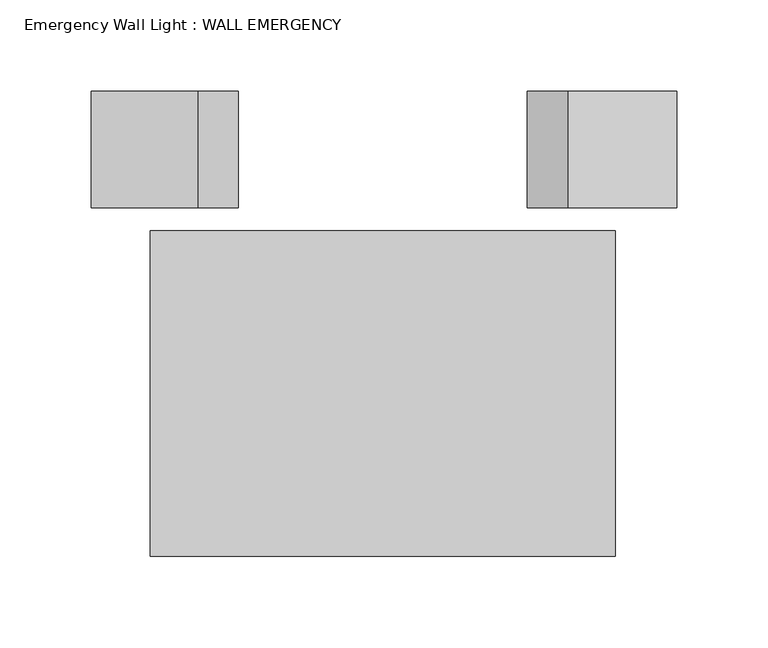
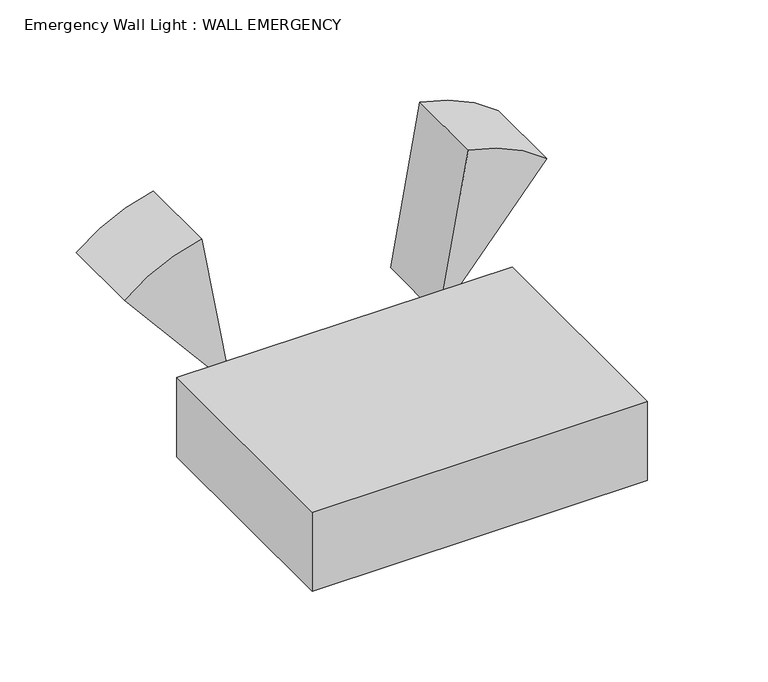
"""IFC4 building model written with IfcOpenShell, lengths in millimetres: light fixture geometry, Emergency Wall Light : WALL EMERGENCY."""

import ifcopenshell
import ifcopenshell.guid

model = None  # the IFC model being written
_history = None  # IfcOwnerHistory: only IFC2X3 demands one
_inside = {}  # id of a spatial element -> (the spatial element, [elements in it])
_under = {}  # id of a project, library or spatial element -> (it, [spatial elements below it])
_declared = {}  # id of a project -> (the project, [libraries it declares])
_typed = {}  # id of a type object -> (the type object, [elements of that type])
_made_of = {}  # id of a material, layer set ... -> (it, [elements and type objects made of it])


def new_model(schema):
    """Start an empty IFC model of exactly this schema.

    Asked for "IFC4X3", IfcOpenShell would pick the latest addendum, in which some entities
    have other attributes; the version numbers below select the first issue.
    IFC2X3 requires an IfcOwnerHistory on every rooted entity: one is made here for all.
    """
    global model, _history
    if schema == "IFC4X3":
        model = ifcopenshell.file(schema_version=(4, 3, 0, 0))
    else:
        model = ifcopenshell.file(schema=schema)
    _inside.clear()
    _under.clear()
    _declared.clear()
    _typed.clear()
    _made_of.clear()
    _history = None
    if model.schema == "IFC2X3":
        org = make("IfcOrganization", Name="unknown")
        user = make(
            "IfcPersonAndOrganization",
            ThePerson=make("IfcPerson", FamilyName="unknown"),
            TheOrganization=org,
        )
        app = make(
            "IfcApplication",
            ApplicationDeveloper=org,
            Version="unknown",
            ApplicationFullName="unknown",
            ApplicationIdentifier="unknown",
        )
        _history = make(
            "IfcOwnerHistory",
            OwningUser=user,
            OwningApplication=app,
            ChangeAction="ADDED",
            CreationDate=0,
        )
    return model


def make(cls, **values):
    """One entity of the class cls with the attributes given. An attribute that is None is left unset."""
    return model.create_entity(
        cls, **{name: value for name, value in values.items() if value is not None}
    )


def rooted(cls, **values):
    """An entity with a GlobalId (a new one), such as an element, a storey or a relation."""
    return make(cls, GlobalId=ifcopenshell.guid.new(), OwnerHistory=_history, **values)


def si_unit(unit_type, name, prefix=None):
    """IfcSIUnit, for example si_unit("LENGTHUNIT", "METRE", prefix="MILLI")."""
    return make("IfcSIUnit", UnitType=unit_type, Prefix=prefix, Name=name)


def assignment(units):
    """IfcUnitAssignment: the units of a project."""
    return None if units is None else make("IfcUnitAssignment", Units=units)


def point(xyz):
    """IfcCartesianPoint."""
    return None if xyz is None else make("IfcCartesianPoint", Coordinates=xyz)


def direction(xyz):
    """IfcDirection."""
    return None if xyz is None else make("IfcDirection", DirectionRatios=xyz)


def frame(location, z_axis=None, x_axis=None):
    """IfcAxis2Placement3D, a coordinate frame: its origin and axes. An axis left out is left unset."""
    return make(
        "IfcAxis2Placement3D",
        Location=point(location),
        Axis=direction(z_axis),
        RefDirection=direction(x_axis),
    )


def frame_2d(location, x_axis=None):
    """IfcAxis2Placement2D, a coordinate frame in the plane: its origin and x axis."""
    return make(
        "IfcAxis2Placement2D", Location=point(location), RefDirection=direction(x_axis)
    )


def origin():
    """The frame at (0, 0, 0) with its axes left unset."""
    return frame((0.0, 0.0, 0.0))


def origin_with_axes():
    """The frame at (0, 0, 0) with the z axis (0, 0, 1) and the x axis (1, 0, 0) written out."""
    return frame((0.0, 0.0, 0.0), z_axis=(0.0, 0.0, 1.0), x_axis=(1.0, 0.0, 0.0))


def place(relative_to, where):
    """IfcLocalPlacement: puts the frame where relative to a parent placement (None: the world)."""
    return make(
        "IfcLocalPlacement", PlacementRelTo=relative_to, RelativePlacement=where
    )


def context(
    kind, dimensions, precision=None, world=None, true_north=None, identifier=None
):
    """IfcGeometricRepresentationContext, for example the 3D "Model" context."""
    return make(
        "IfcGeometricRepresentationContext",
        ContextIdentifier=identifier,
        ContextType=kind,
        CoordinateSpaceDimension=dimensions,
        Precision=precision,
        WorldCoordinateSystem=world,
        TrueNorth=true_north,
    )


def project(units=None, contexts=None):
    """IfcProject with its units and contexts."""
    return rooted(
        "IfcProject",
        Name="project",
        RepresentationContexts=contexts,
        UnitsInContext=assignment(units),
    )


def spatial(cls, under=None, at=None, **own):
    """A site, building, storey or space (cls), placed at a placement, below another one or the project."""
    s = rooted(cls, ObjectPlacement=at, **own)
    if under is not None:
        _under.setdefault(under.id(), (under, []))[1].append(s)
    return s


def polyline(points):
    """IfcPolyline through the points."""
    return make("IfcPolyline", Points=[point(p) for p in points])


def circle_curve(where, radius):
    """IfcCircle in the frame where."""
    return make("IfcCircle", Position=where, Radius=radius)


def trimmed(basis, trim1, trim2, sense, master):
    """IfcTrimmedCurve: the piece of a basis curve between two trims."""
    return make(
        "IfcTrimmedCurve",
        BasisCurve=basis,
        Trim1=trim1,
        Trim2=trim2,
        SenseAgreement=sense,
        MasterRepresentation=master,
    )


def segment(curve, same_sense, transition):
    """IfcCompositeCurveSegment."""
    return make(
        "IfcCompositeCurveSegment",
        Transition=transition,
        SameSense=same_sense,
        ParentCurve=curve,
    )


def composite_curve(segments, self_intersect=None):
    """IfcCompositeCurve: segments joined end to end."""
    return make("IfcCompositeCurve", Segments=segments, SelfIntersect=self_intersect)


def outline(outer, holes=None, kind="AREA"):
    """IfcArbitraryClosedProfileDef: a profile drawn as a closed curve; with holes, ...WithVoids."""
    if holes is None:
        return make("IfcArbitraryClosedProfileDef", ProfileType=kind, OuterCurve=outer)
    return make(
        "IfcArbitraryProfileDefWithVoids",
        ProfileType=kind,
        OuterCurve=outer,
        InnerCurves=holes,
    )


def extrude(swept, where, along, depth):
    """IfcExtrudedAreaSolid: the profile swept, set in the frame where, extruded along a direction by depth."""
    return make(
        "IfcExtrudedAreaSolid",
        SweptArea=swept,
        Position=where,
        ExtrudedDirection=direction(along),
        Depth=depth,
    )


def shape(context_of_items, identifier, shape_type, items):
    """IfcShapeRepresentation: the items that make up one representation, for example the "Body"."""
    return make(
        "IfcShapeRepresentation",
        ContextOfItems=context_of_items,
        RepresentationIdentifier=identifier,
        RepresentationType=shape_type,
        Items=items,
    )


def source(mapping_origin, context_of_items, identifier, shape_type, items):
    """IfcRepresentationMap: a shape defined once, which mapped items show again and again."""
    return make(
        "IfcRepresentationMap",
        MappingOrigin=mapping_origin,
        MappedRepresentation=shape(context_of_items, identifier, shape_type, items),
    )


def transform(
    local_origin,
    x_axis=None,
    y_axis=None,
    z_axis=None,
    scale=None,
    scale2=None,
    scale3=None,
    uniform=True,
):
    """IfcCartesianTransformationOperator3D, or its non-uniform kind. x_axis, y_axis, z_axis: its Axis1, 2, 3."""
    if uniform:
        return make(
            "IfcCartesianTransformationOperator3D",
            Axis1=direction(x_axis),
            Axis2=direction(y_axis),
            LocalOrigin=point(local_origin),
            Scale=scale,
            Axis3=direction(z_axis),
        )
    return make(
        "IfcCartesianTransformationOperator3DnonUniform",
        Axis1=direction(x_axis),
        Axis2=direction(y_axis),
        LocalOrigin=point(local_origin),
        Scale=scale,
        Axis3=direction(z_axis),
        Scale2=scale2,
        Scale3=scale3,
    )


def mapped(mapping_source, mapping_target):
    """IfcMappedItem: shows the shape of a source again, moved by a transform."""
    return make(
        "IfcMappedItem", MappingSource=mapping_source, MappingTarget=mapping_target
    )


def made_of(thing, what):
    """Note that an element or type object is made of a material, layer set ...; save() writes the relation."""
    if what is not None:
        _made_of.setdefault(what.id(), (what, []))[1].append(thing)
    return thing


def element(
    cls,
    number,
    at=None,
    inside=None,
    cuts=None,
    type_object=None,
    material=None,
    context=None,
    identifier="Body",
    shape_type=None,
    held_by="IfcProductDefinitionShape",
    body=None,
    shapes=None,
    **own,
):
    """One element of the class cls, such as IfcWall. Its Tag is "e" and its number.

    at: its placement. inside: the storey or other place that contains it. cuts: it is an
    opening in that element (IfcRelVoidsElement). A single representation is given by context,
    identifier, shape_type and body (its items); several are given by shapes. held_by: the class
    of the entity that holds the representations. save() writes the other relations.
    """
    e = rooted(cls, Tag="e%d" % number, ObjectPlacement=at, **own)
    if body is not None:
        shapes = [shape(context, identifier, shape_type, body)]
    if shapes is not None:
        e.Representation = make(held_by, Representations=shapes)
    if inside is not None:
        _inside.setdefault(inside.id(), (inside, []))[1].append(e)
    if cuts is not None:
        rooted(
            "IfcRelVoidsElement", RelatingBuildingElement=cuts, RelatedOpeningElement=e
        )
    if type_object is not None:
        _typed.setdefault(type_object.id(), (type_object, []))[1].append(e)
    return made_of(e, material)


def aggregate(whole, parts):
    """IfcRelAggregates: a whole, such as a stair, and the parts it consists of."""
    return rooted("IfcRelAggregates", RelatingObject=whole, RelatedObjects=parts)


def save(model, path):
    """Write the relations noted so far, then the file.

    IfcRelAggregates (storeys below a building ...), IfcRelContainedInSpatialStructure (elements
    in a storey), IfcRelDefinesByType, IfcRelAssociatesMaterial and IfcRelDeclares: one each for
    every whole, place, type object, material and project.
    """
    for whole, parts in _under.values():
        aggregate(whole, parts)
    for where, things in _inside.values():
        rooted(
            "IfcRelContainedInSpatialStructure",
            RelatedElements=things,
            RelatingStructure=where,
        )
    for kind, things in _typed.values():
        rooted("IfcRelDefinesByType", RelatedObjects=things, RelatingType=kind)
    for what, things in _made_of.values():
        rooted("IfcRelAssociatesMaterial", RelatedObjects=things, RelatingMaterial=what)
    for by, libraries in _declared.values():
        rooted("IfcRelDeclares", RelatingContext=by, RelatedDefinitions=libraries)
    model.write(path)


def emergency_wall_light_wall_emergency_37438f40(model_context):
    return source(origin(), model_context, "Body", "SweptSolid", [
        extrude(outline(composite_curve([segment(polyline([(129.0379638, -159.2803489), (33.3375, -78.978125), (157.8249108, -100.9286143)]), True, "CONTINUOUS"), segment(trimmed(circle_curve(frame_2d((33.3375, -75.7913004)), 127.0), [point((157.8249108, -100.9286143))], [point((129.0379638, -159.2803489))], False, "CARTESIAN"), True, "CONTINUOUS")], self_intersect=False)), frame((0.0, 101.6, 0.0), z_axis=(0.0, 1.0, 0.0), x_axis=(0.0, 0.0, 1.0)), (0.0, 0.0, 1.0), 63.5),
        extrude(outline(composite_curve([segment(trimmed(circle_curve(frame_2d((33.3375, 78.978125)), 127.0), [point((130.6251443, 160.6121514))], [point((158.4080846, 101.0314436))], False, "CARTESIAN"), True, "CONTINUOUS"), segment(polyline([(158.4080846, 101.0314436), (33.3375, 78.978125), (130.6251443, 160.6121514)]), True, "CONTINUOUS")], self_intersect=False)), frame((0.0, 101.6, 0.0), z_axis=(0.0, 1.0, 0.0), x_axis=(0.0, 0.0, 1.0)), (0.0, 0.0, 1.0), 63.5),
        extrude(outline(polyline([(127.0, 88.9), (127.0, -88.9), (-127.0, -88.9), (-127.0, 88.9), (127.0, 88.9)])), origin_with_axes(), (0.0, 0.0, 1.0), 63.5),
    ])


if __name__ == "__main__":
    model = new_model("IFC4")
    model_context = context("Model", 3, world=origin())
    ifc_project = project(units=[si_unit("LENGTHUNIT", "METRE", prefix="MILLI")], contexts=[model_context])
    site = spatial("IfcSite", under=ifc_project)
    building = spatial("IfcBuilding", under=site)
    placement = place(None, origin())
    emergency_wall_light_wall_emergency_shape = emergency_wall_light_wall_emergency_37438f40(model_context)
    element("IfcLightFixture", 1, ObjectType="Emergency Wall Light : WALL EMERGENCY", at=placement, inside=building, context=model_context, shape_type="MappedRepresentation", body=[
        mapped(emergency_wall_light_wall_emergency_shape, transform((0.0, 0.0, 0.0), x_axis=(1.0, 0.0, 0.0), y_axis=(0.0, 1.0, 0.0), z_axis=(0.0, 0.0, 1.0))),
    ])
    save(model, "model.ifc")
